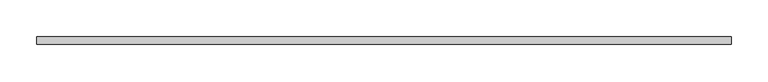
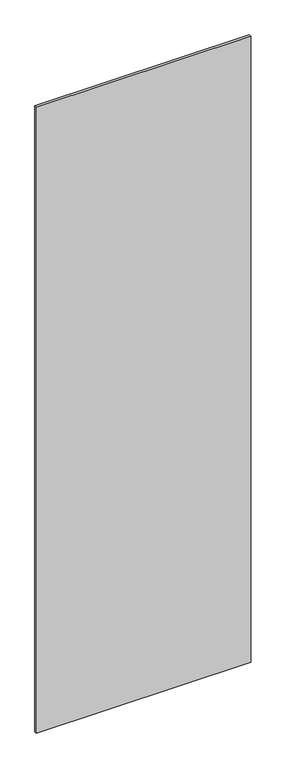
"""IFC4 building model written with IfcOpenShell, lengths in millimetres: plate geometry."""

from ifc_helpers import new_model, si_unit, origin, origin_with_axes, place, context, project, spatial, polyline, outline, extrude, source, transform, mapped, element, save


def plate_c6416a42(model_context):
    return source(origin(), model_context, "Body", "SweptSolid", [
        extrude(outline(polyline([(470.2142858, -5.0), (-470.2142858, -5.0), (-470.2142858, 5.0), (470.2142858, 5.0), (470.2142858, -5.0)])), origin_with_axes(), (0.0, 0.0, 1.0), 2901.0),
    ])


if __name__ == "__main__":
    model = new_model("IFC4")
    model_context = context("Model", 3, world=origin())
    ifc_project = project(units=[si_unit("LENGTHUNIT", "METRE", prefix="MILLI")], contexts=[model_context])
    site = spatial("IfcSite", under=ifc_project)
    building = spatial("IfcBuilding", under=site)
    placement = place(None, origin())
    plate_shape = plate_c6416a42(model_context)
    element("IfcPlate", 1, at=placement, inside=building, context=model_context, shape_type="MappedRepresentation", body=[
        mapped(plate_shape, transform((0.0, 0.0, 0.0), x_axis=(1.0, 0.0, 0.0), y_axis=(0.0, 1.0, 0.0), z_axis=(0.0, 0.0, 1.0))),
    ])
    save(model, "model.ifc")
